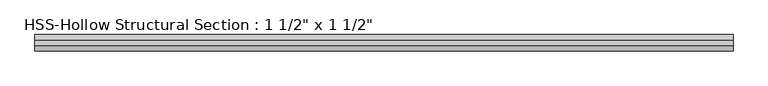
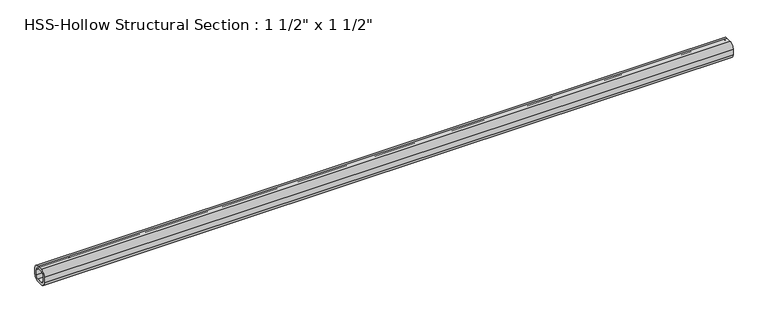
"""IFC4 building model written with IfcOpenShell, lengths in millimetres: beam geometry."""

from ifc_helpers import new_model, si_unit, point, frame, frame_2d, origin, place, context, project, spatial, polyline, circle_curve, trimmed, segment, composite_curve, outline, extrude, source, transform, mapped, element, save


def beam_4effe9ff(model_context):
    return source(origin(), model_context, "Body", "SweptSolid", [
        extrude(outline(composite_curve([segment(polyline([(19.05, 6.35), (19.05, -6.35)]), True, "CONTINUOUS"), segment(trimmed(circle_curve(frame_2d((6.35, -6.35)), 12.7), [point((19.05, -6.35))], [point((6.35, -19.05))], False, "CARTESIAN"), True, "CONTINUOUS"), segment(polyline([(6.35, -19.05), (-6.35, -19.05)]), True, "CONTINUOUS"), segment(trimmed(circle_curve(frame_2d((-6.35, -6.35)), 12.7), [point((-6.35, -19.05))], [point((-19.05, -6.35))], False, "CARTESIAN"), True, "CONTINUOUS"), segment(polyline([(-19.05, -6.35), (-19.05, 6.35)]), True, "CONTINUOUS"), segment(trimmed(circle_curve(frame_2d((-6.35, 6.35)), 12.7), [point((-19.05, 6.35))], [point((-6.35, 19.05))], False, "CARTESIAN"), True, "CONTINUOUS"), segment(polyline([(-6.35, 19.05), (6.35, 19.05)]), True, "CONTINUOUS"), segment(trimmed(circle_curve(frame_2d((6.35, 6.35)), 12.7), [point((6.35, 19.05))], [point((19.05, 6.35))], False, "CARTESIAN"), True, "CONTINUOUS")], self_intersect=False), holes=[composite_curve([segment(trimmed(circle_curve(frame_2d((-6.35, 6.35)), 6.35), [point((-6.35, 12.7))], [point((-12.7, 6.35))], True, "CARTESIAN"), True, "CONTINUOUS"), segment(polyline([(-12.7, 6.35), (-12.7, -6.35)]), True, "CONTINUOUS"), segment(trimmed(circle_curve(frame_2d((-6.35, -6.35)), 6.35), [point((-12.7, -6.35))], [point((-6.35, -12.7))], True, "CARTESIAN"), True, "CONTINUOUS"), segment(polyline([(-6.35, -12.7), (6.35, -12.7)]), True, "CONTINUOUS"), segment(trimmed(circle_curve(frame_2d((6.35, -6.35)), 6.35), [point((6.35, -12.7))], [point((12.7, -6.35))], True, "CARTESIAN"), True, "CONTINUOUS"), segment(polyline([(12.7, -6.35), (12.7, 6.35)]), True, "CONTINUOUS"), segment(trimmed(circle_curve(frame_2d((6.35, 6.35)), 6.35), [point((12.7, 6.35))], [point((6.35, 12.7))], True, "CARTESIAN"), True, "CONTINUOUS"), segment(polyline([(6.35, 12.7), (-6.35, 12.7)]), True, "CONTINUOUS")], self_intersect=False)]), frame((-804.7143061, 0.0, 0.0), z_axis=(1.0, 0.0, 0.0), x_axis=(0.0, 1.0, 0.0)), (0.0, 0.0, 1.0), 1609.4286122),
    ])


if __name__ == "__main__":
    model = new_model("IFC4")
    model_context = context("Model", 3, world=origin())
    ifc_project = project(units=[si_unit("LENGTHUNIT", "METRE", prefix="MILLI")], contexts=[model_context])
    site = spatial("IfcSite", under=ifc_project)
    building = spatial("IfcBuilding", under=site)
    placement = place(None, origin())
    beam_shape = beam_4effe9ff(model_context)
    element("IfcBeam", 1, ObjectType="HSS-Hollow Structural Section : 1 1/2\" x 1 1/2\"", at=placement, inside=building, context=model_context, shape_type="MappedRepresentation", body=[
        mapped(beam_shape, transform((0.0, 0.0, 0.0), x_axis=(1.0, 0.0, 0.0), y_axis=(0.0, 1.0, 0.0), z_axis=(0.0, 0.0, 1.0))),
    ])
    save(model, "model.ifc")
